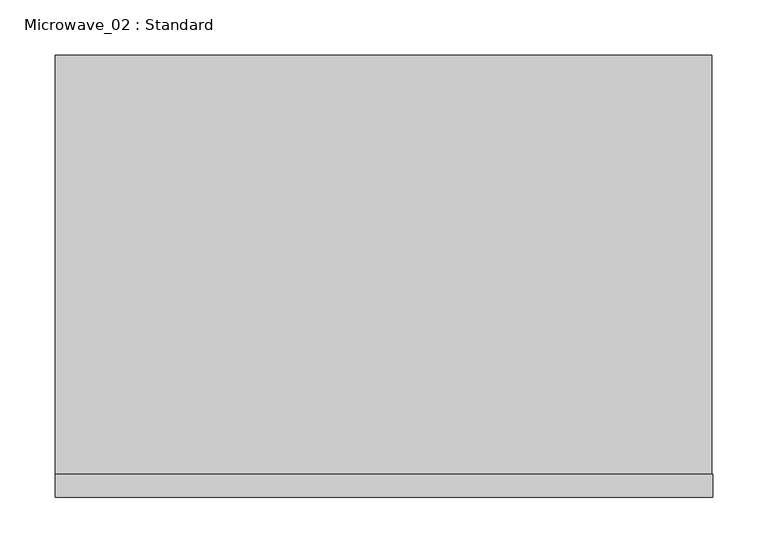
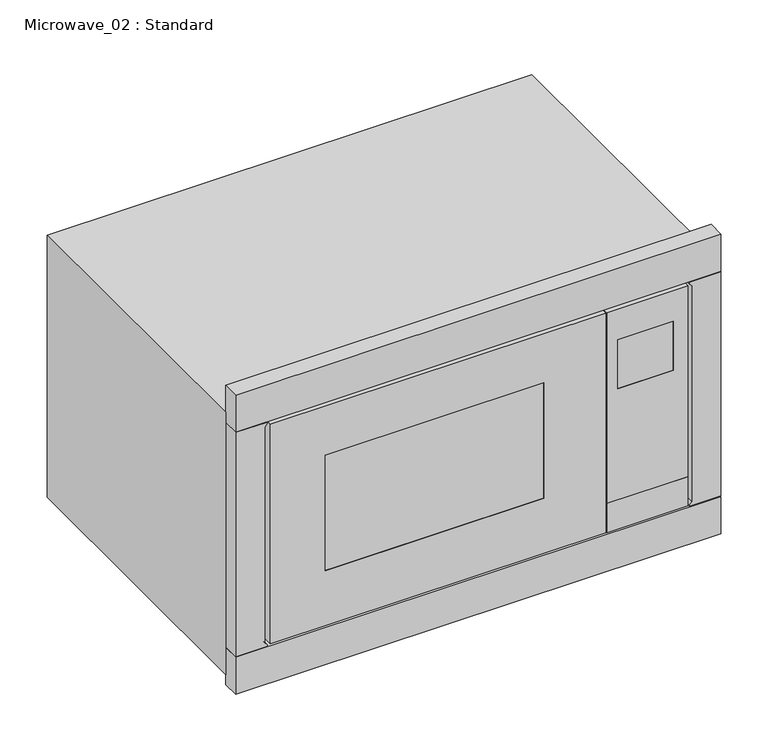
"""IFC4 building model written with IfcOpenShell, lengths in millimetres: proxy geometry, Microwave_02 : Standard."""

import ifcopenshell
import ifcopenshell.guid

model = None  # the IFC model being written
_history = None  # IfcOwnerHistory: only IFC2X3 demands one
_inside = {}  # id of a spatial element -> (the spatial element, [elements in it])
_under = {}  # id of a project, library or spatial element -> (it, [spatial elements below it])
_declared = {}  # id of a project -> (the project, [libraries it declares])
_typed = {}  # id of a type object -> (the type object, [elements of that type])
_made_of = {}  # id of a material, layer set ... -> (it, [elements and type objects made of it])


def new_model(schema):
    """Start an empty IFC model of exactly this schema.

    Asked for "IFC4X3", IfcOpenShell would pick the latest addendum, in which some entities
    have other attributes; the version numbers below select the first issue.
    IFC2X3 requires an IfcOwnerHistory on every rooted entity: one is made here for all.
    """
    global model, _history
    if schema == "IFC4X3":
        model = ifcopenshell.file(schema_version=(4, 3, 0, 0))
    else:
        model = ifcopenshell.file(schema=schema)
    _inside.clear()
    _under.clear()
    _declared.clear()
    _typed.clear()
    _made_of.clear()
    _history = None
    if model.schema == "IFC2X3":
        org = make("IfcOrganization", Name="unknown")
        user = make(
            "IfcPersonAndOrganization",
            ThePerson=make("IfcPerson", FamilyName="unknown"),
            TheOrganization=org,
        )
        app = make(
            "IfcApplication",
            ApplicationDeveloper=org,
            Version="unknown",
            ApplicationFullName="unknown",
            ApplicationIdentifier="unknown",
        )
        _history = make(
            "IfcOwnerHistory",
            OwningUser=user,
            OwningApplication=app,
            ChangeAction="ADDED",
            CreationDate=0,
        )
    return model


def make(cls, **values):
    """One entity of the class cls with the attributes given. An attribute that is None is left unset."""
    return model.create_entity(
        cls, **{name: value for name, value in values.items() if value is not None}
    )


def rooted(cls, **values):
    """An entity with a GlobalId (a new one), such as an element, a storey or a relation."""
    return make(cls, GlobalId=ifcopenshell.guid.new(), OwnerHistory=_history, **values)


def si_unit(unit_type, name, prefix=None):
    """IfcSIUnit, for example si_unit("LENGTHUNIT", "METRE", prefix="MILLI")."""
    return make("IfcSIUnit", UnitType=unit_type, Prefix=prefix, Name=name)


def assignment(units):
    """IfcUnitAssignment: the units of a project."""
    return None if units is None else make("IfcUnitAssignment", Units=units)


def point(xyz):
    """IfcCartesianPoint."""
    return None if xyz is None else make("IfcCartesianPoint", Coordinates=xyz)


def direction(xyz):
    """IfcDirection."""
    return None if xyz is None else make("IfcDirection", DirectionRatios=xyz)


def frame(location, z_axis=None, x_axis=None):
    """IfcAxis2Placement3D, a coordinate frame: its origin and axes. An axis left out is left unset."""
    return make(
        "IfcAxis2Placement3D",
        Location=point(location),
        Axis=direction(z_axis),
        RefDirection=direction(x_axis),
    )


def origin():
    """The frame at (0, 0, 0) with its axes left unset."""
    return frame((0.0, 0.0, 0.0))


def place(relative_to, where):
    """IfcLocalPlacement: puts the frame where relative to a parent placement (None: the world)."""
    return make(
        "IfcLocalPlacement", PlacementRelTo=relative_to, RelativePlacement=where
    )


def context(
    kind, dimensions, precision=None, world=None, true_north=None, identifier=None
):
    """IfcGeometricRepresentationContext, for example the 3D "Model" context."""
    return make(
        "IfcGeometricRepresentationContext",
        ContextIdentifier=identifier,
        ContextType=kind,
        CoordinateSpaceDimension=dimensions,
        Precision=precision,
        WorldCoordinateSystem=world,
        TrueNorth=true_north,
    )


def project(units=None, contexts=None):
    """IfcProject with its units and contexts."""
    return rooted(
        "IfcProject",
        Name="project",
        RepresentationContexts=contexts,
        UnitsInContext=assignment(units),
    )


def spatial(cls, under=None, at=None, **own):
    """A site, building, storey or space (cls), placed at a placement, below another one or the project."""
    s = rooted(cls, ObjectPlacement=at, **own)
    if under is not None:
        _under.setdefault(under.id(), (under, []))[1].append(s)
    return s


def polyline(points):
    """IfcPolyline through the points."""
    return make("IfcPolyline", Points=[point(p) for p in points])


def outline(outer, holes=None, kind="AREA"):
    """IfcArbitraryClosedProfileDef: a profile drawn as a closed curve; with holes, ...WithVoids."""
    if holes is None:
        return make("IfcArbitraryClosedProfileDef", ProfileType=kind, OuterCurve=outer)
    return make(
        "IfcArbitraryProfileDefWithVoids",
        ProfileType=kind,
        OuterCurve=outer,
        InnerCurves=holes,
    )


def extrude(swept, where, along, depth):
    """IfcExtrudedAreaSolid: the profile swept, set in the frame where, extruded along a direction by depth."""
    return make(
        "IfcExtrudedAreaSolid",
        SweptArea=swept,
        Position=where,
        ExtrudedDirection=direction(along),
        Depth=depth,
    )


def faces_of(points, faces, orient=None, outer=None):
    """IfcFace entities. A face is a list of loops; a loop is a list of indices into points, from 0.

    orient and outer hold one flag for each loop. By default every Orientation is true, the
    first loop of a face is its IfcFaceOuterBound and the others are IfcFaceBound.
    """
    made = []
    for i, loops in enumerate(faces):
        bounds = []
        for j, loop in enumerate(loops):
            is_outer = j == 0 if outer is None else outer[i][j]
            bounds.append(
                make(
                    "IfcFaceOuterBound" if is_outer else "IfcFaceBound",
                    Bound=make("IfcPolyLoop", Polygon=[points[k] for k in loop]),
                    Orientation=True if orient is None else orient[i][j],
                )
            )
        made.append(make("IfcFace", Bounds=bounds))
    return made


def faceted_brep(points, faces, orient=None, outer=None, voids=None):
    """IfcFacetedBrep: a solid bounded by flat faces; with voids (closed shells), ...WithVoids."""
    shared = [point(p) for p in points]
    hull = make("IfcClosedShell", CfsFaces=faces_of(shared, faces, orient, outer))
    if voids is None:
        return make("IfcFacetedBrep", Outer=hull)
    return make(
        "IfcFacetedBrepWithVoids",
        Outer=hull,
        Voids=[
            make(cls, CfsFaces=faces_of(shared, fs, o, b)) for cls, fs, o, b in voids
        ],
    )


def shape(context_of_items, identifier, shape_type, items):
    """IfcShapeRepresentation: the items that make up one representation, for example the "Body"."""
    return make(
        "IfcShapeRepresentation",
        ContextOfItems=context_of_items,
        RepresentationIdentifier=identifier,
        RepresentationType=shape_type,
        Items=items,
    )


def source(mapping_origin, context_of_items, identifier, shape_type, items):
    """IfcRepresentationMap: a shape defined once, which mapped items show again and again."""
    return make(
        "IfcRepresentationMap",
        MappingOrigin=mapping_origin,
        MappedRepresentation=shape(context_of_items, identifier, shape_type, items),
    )


def transform(
    local_origin,
    x_axis=None,
    y_axis=None,
    z_axis=None,
    scale=None,
    scale2=None,
    scale3=None,
    uniform=True,
):
    """IfcCartesianTransformationOperator3D, or its non-uniform kind. x_axis, y_axis, z_axis: its Axis1, 2, 3."""
    if uniform:
        return make(
            "IfcCartesianTransformationOperator3D",
            Axis1=direction(x_axis),
            Axis2=direction(y_axis),
            LocalOrigin=point(local_origin),
            Scale=scale,
            Axis3=direction(z_axis),
        )
    return make(
        "IfcCartesianTransformationOperator3DnonUniform",
        Axis1=direction(x_axis),
        Axis2=direction(y_axis),
        LocalOrigin=point(local_origin),
        Scale=scale,
        Axis3=direction(z_axis),
        Scale2=scale2,
        Scale3=scale3,
    )


def mapped(mapping_source, mapping_target):
    """IfcMappedItem: shows the shape of a source again, moved by a transform."""
    return make(
        "IfcMappedItem", MappingSource=mapping_source, MappingTarget=mapping_target
    )


def made_of(thing, what):
    """Note that an element or type object is made of a material, layer set ...; save() writes the relation."""
    if what is not None:
        _made_of.setdefault(what.id(), (what, []))[1].append(thing)
    return thing


def element(
    cls,
    number,
    at=None,
    inside=None,
    cuts=None,
    type_object=None,
    material=None,
    context=None,
    identifier="Body",
    shape_type=None,
    held_by="IfcProductDefinitionShape",
    body=None,
    shapes=None,
    **own,
):
    """One element of the class cls, such as IfcWall. Its Tag is "e" and its number.

    at: its placement. inside: the storey or other place that contains it. cuts: it is an
    opening in that element (IfcRelVoidsElement). A single representation is given by context,
    identifier, shape_type and body (its items); several are given by shapes. held_by: the class
    of the entity that holds the representations. save() writes the other relations.
    """
    e = rooted(cls, Tag="e%d" % number, ObjectPlacement=at, **own)
    if body is not None:
        shapes = [shape(context, identifier, shape_type, body)]
    if shapes is not None:
        e.Representation = make(held_by, Representations=shapes)
    if inside is not None:
        _inside.setdefault(inside.id(), (inside, []))[1].append(e)
    if cuts is not None:
        rooted(
            "IfcRelVoidsElement", RelatingBuildingElement=cuts, RelatedOpeningElement=e
        )
    if type_object is not None:
        _typed.setdefault(type_object.id(), (type_object, []))[1].append(e)
    return made_of(e, material)


def aggregate(whole, parts):
    """IfcRelAggregates: a whole, such as a stair, and the parts it consists of."""
    return rooted("IfcRelAggregates", RelatingObject=whole, RelatedObjects=parts)


def save(model, path):
    """Write the relations noted so far, then the file.

    IfcRelAggregates (storeys below a building ...), IfcRelContainedInSpatialStructure (elements
    in a storey), IfcRelDefinesByType, IfcRelAssociatesMaterial and IfcRelDeclares: one each for
    every whole, place, type object, material and project.
    """
    for whole, parts in _under.values():
        aggregate(whole, parts)
    for where, things in _inside.values():
        rooted(
            "IfcRelContainedInSpatialStructure",
            RelatedElements=things,
            RelatingStructure=where,
        )
    for kind, things in _typed.values():
        rooted("IfcRelDefinesByType", RelatedObjects=things, RelatingType=kind)
    for what, things in _made_of.values():
        rooted("IfcRelAssociatesMaterial", RelatedObjects=things, RelatingMaterial=what)
    for by, libraries in _declared.values():
        rooted("IfcRelDeclares", RelatingContext=by, RelatedDefinitions=libraries)
    model.write(path)


def microwave_02_standard_19abc136(model_context):
    return source(origin(), model_context, "Body", "SolidModel", [
        faceted_brep([(157.4453125, -178.9475314, 87.2002186), (256.6175232, -178.9475314, 87.2002186), (256.6175232, -199.9475555, 87.2002186), (157.4453125, -199.9475555, 87.2002186), (256.6175232, -178.9475314, 334.1199421), (256.6175232, -199.9475555, 334.1199421), (157.4453125, -178.9475314, 334.1199421), (157.4453125, -199.9475555, 334.1199421), (239.3725433, -199.9475555, 294.5661011), (239.3725433, -199.9475555, 230.8015442), (171.2021332, -199.9475555, 230.8015442), (171.2021332, -199.9475555, 294.5661011), (239.3725433, -195.2584015, 294.5661011), (239.3725433, -195.2584015, 230.8015442), (171.2021332, -195.2584015, 294.5661011), (171.2021332, -195.2584015, 230.8015442)], [[[0, 1, 2, 3]], [[1, 4, 5, 2]], [[4, 6, 7, 5]], [[6, 0, 3, 7]], [[0, 6, 4, 1]], [[3, 2, 5, 7], [8, 9, 10, 11]], [[8, 12, 13, 9]], [[13, 12, 14, 15]], [[10, 15, 14, 11]], [[9, 13, 15, 10]], [[11, 14, 12, 8]]]),
        extrude(outline(polyline([(171.2021332, -199.8093109), (171.2021332, -194.8092804), (239.3725433, -194.8092804), (239.3725433, -199.8093109), (171.2021332, -199.8093109)])), frame((0.0, 0.0, 230.8015442), z_axis=(0.0, 0.0, 1.0), x_axis=(1.0, 0.0, 0.0)), (0.0, 0.0, 1.0), 63.7645569),
        extrude(outline(polyline([(49.323658, -254.7462311), (49.323658, 156.2996674), (334.1199646, 156.2996674), (334.1199646, -254.7462311), (49.323658, -254.7462311)]), holes=[polyline([(270.3418274, 80.1738358), (120.742981, 80.1738358), (120.742981, -187.2039642), (270.3418274, -187.2039642), (270.3418274, 80.1738358)])]), frame((0.0, -199.9475555, 0.0), z_axis=(0.0, 1.0, 0.0), x_axis=(0.0, 0.0, 1.0)), (0.0, 0.0, 1.0), 21.0000305),
        extrude(outline(polyline([(157.4453125, -178.9475314), (256.6175232, -178.9475314), (256.6175232, -199.9475555), (157.4453125, -199.9475555), (157.4453125, -178.9475314)])), frame((0.0, 0.0, 49.3236622), z_axis=(0.0, 0.0, 1.0), x_axis=(1.0, 0.0, 0.0)), (0.0, 0.0, 1.0), 37.8765564),
        faceted_brep([(-297.5000305, -178.9474792, 351.5359883), (-297.5000305, 200.0524902, 351.5359883), (-297.5000305, 200.0524902, 11.5359883), (-297.5000305, -178.9474792, 11.5359883), (296.4999695, 200.0524902, 351.5359883), (296.4999695, 200.0524902, 11.5359883), (296.4999695, -178.9474792, 351.5359883), (296.4999695, -178.9474792, 11.5359883), (-193.498291, -178.9474792, 56.7785572), (-193.498291, -178.9474792, 314.8496785), (156.8763733, -178.9474792, 314.8496785), (156.8763733, -178.9474792, 56.7785572), (-193.498291, 61.2637634, 56.7785572), (-193.498291, 61.2637634, 314.8496785), (156.8763733, 61.2637634, 56.7785572), (156.8763733, 61.2637634, 314.8496785)], [[[0, 1, 2, 3]], [[1, 4, 5, 2]], [[4, 6, 7, 5]], [[6, 0, 3, 7], [8, 9, 10, 11]], [[0, 6, 4, 1]], [[3, 2, 5, 7]], [[8, 12, 13, 9]], [[13, 12, 14, 15]], [[10, 15, 14, 11]], [[10, 9, 13, 15]], [[11, 14, 12, 8]]]),
        extrude(outline(polyline([(-297.500061, -199.9474945), (-297.500061, -178.947464), (297.5, -178.947464), (297.5, -199.9474945), (-297.500061, -199.9474945)])), frame((0.0, 0.0, -1.1597211), z_axis=(0.0, 0.0, 1.0), x_axis=(1.0, 0.0, 0.0)), (0.0, 0.0, 1.0), 48.0252777),
        extrude(outline(polyline([(-187.2039642, -199.9475555), (-187.2039642, -178.947525), (80.1738358, -178.947525), (80.1738358, -199.9475555), (-187.2039642, -199.9475555)])), frame((0.0, 0.0, 120.742981), z_axis=(0.0, 0.0, 1.0), x_axis=(1.0, 0.0, 0.0)), (0.0, 0.0, 1.0), 149.5988464),
        extrude(outline(polyline([(338.2816243, -297.5000305), (47.7664265, -297.5000305), (47.7664265, -258.8429782), (49.8131579, -258.8024902), (53.4607319, -261.6565247), (332.5873188, -261.6565247), (336.5045552, -258.8024902), (338.2816243, -258.8024902), (338.2816243, -297.5000305)])), frame((0.0, -199.9475555, 0.0), z_axis=(0.0, 1.0, 0.0), x_axis=(0.0, 0.0, 1.0)), (0.0, 0.0, 1.0), 21.0000241),
        extrude(outline(polyline([(338.2816243, 297.5000305), (338.2816243, 258.8024902), (336.5045552, 258.8024902), (332.5873188, 261.6565247), (53.4607319, 261.6565247), (49.8131579, 258.8024902), (47.7664265, 258.8429782), (47.7664265, 297.5000305), (338.2816243, 297.5000305)])), frame((0.0, -199.9475555, 0.0), z_axis=(0.0, 1.0, 0.0), x_axis=(0.0, 0.0, 1.0)), (0.0, 0.0, 1.0), 21.0000241),
        extrude(outline(polyline([(-3.4287395, -123.3156171), (-3.4287395, -118.6155583), (3.4291938, -118.6155583), (3.4291938, -123.3156171), (-3.4287395, -123.3156171)])), frame((0.0, 0.0, 322.7553707), z_axis=(0.0, 0.0, 1.0), x_axis=(1.0, 0.0, 0.0)), (0.0, 0.0, 1.0), 8.1832866),
        extrude(outline(polyline([(-297.500061, -199.9474945), (-297.500061, -178.947464), (297.5, -178.947464), (297.5, -199.9474945), (-297.500061, -199.9474945)])), frame((0.0, 0.0, 338.8215546), z_axis=(0.0, 0.0, 1.0), x_axis=(1.0, 0.0, 0.0)), (0.0, 0.0, 1.0), 48.0252777),
    ])


if __name__ == "__main__":
    model = new_model("IFC4")
    model_context = context("Model", 3, world=origin())
    ifc_project = project(units=[si_unit("LENGTHUNIT", "METRE", prefix="MILLI")], contexts=[model_context])
    site = spatial("IfcSite", under=ifc_project)
    building = spatial("IfcBuilding", under=site)
    placement = place(None, origin())
    microwave_02_standard_shape = microwave_02_standard_19abc136(model_context)
    element("IfcBuildingElementProxy", 1, Name="Microwave_02 : Standard", ObjectType="Microwave_02 : Standard", at=placement, inside=building, context=model_context, shape_type="MappedRepresentation", body=[
        mapped(microwave_02_standard_shape, transform((0.0, 0.0, 0.0), x_axis=(1.0, 0.0, 0.0), y_axis=(0.0, 1.0, 0.0), z_axis=(0.0, 0.0, 1.0))),
    ])
    save(model, "model.ifc")
